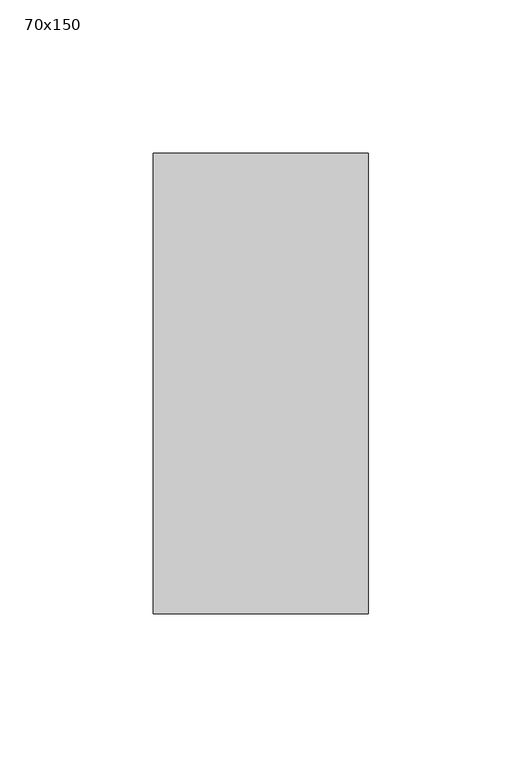
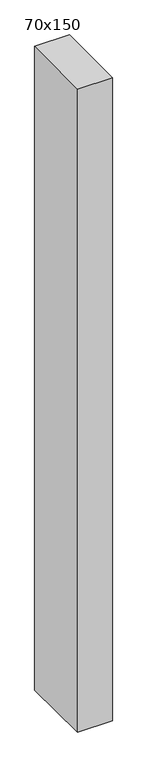
"""IFC4 building model written with IfcOpenShell, lengths in millimetres: member geometry, 70x150."""

from ifc_helpers import new_model, si_unit, frame, origin, place, context, project, spatial, polyline, outline, extrude, source, transform, mapped, element, save


def member_70x150_d52076a4(model_context):
    return source(origin(), model_context, "Body", "SweptSolid", [
        extrude(outline(polyline([(-75.0, -0.0683941), (75.0, 0.0683941), (75.0, -1372.9830925), (-75.0, -1371.0331194), (-75.0, -0.0683941)])), frame((-35.0, 0.0, 0.0), z_axis=(1.0, 0.0, 0.0), x_axis=(0.0, 1.0, 0.0)), (0.0, 0.0, 1.0), 70.0),
    ])


if __name__ == "__main__":
    model = new_model("IFC4")
    model_context = context("Model", 3, world=origin())
    ifc_project = project(units=[si_unit("LENGTHUNIT", "METRE", prefix="MILLI")], contexts=[model_context])
    site = spatial("IfcSite", under=ifc_project)
    building = spatial("IfcBuilding", under=site)
    placement = place(None, origin())
    member_70x150_shape = member_70x150_d52076a4(model_context)
    element("IfcMember", 1, ObjectType="70x150", at=placement, inside=building, context=model_context, shape_type="MappedRepresentation", body=[
        mapped(member_70x150_shape, transform((0.0, 0.0, 0.0), x_axis=(1.0, 0.0, 0.0), y_axis=(0.0, 1.0, 0.0), z_axis=(0.0, 0.0, 1.0))),
    ])
    save(model, "model.ifc")
